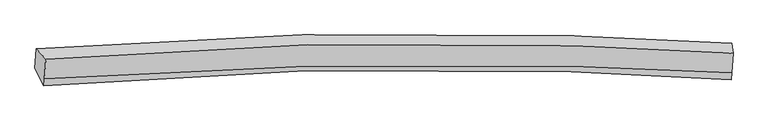
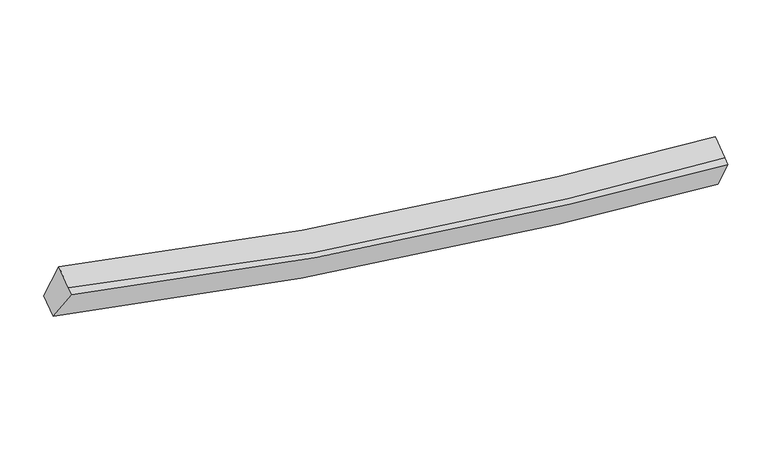
"""IFC4 building model written with IfcOpenShell, lengths in millimetres: proxy geometry."""

from ifc_helpers import new_model, si_unit, frame, origin, place, context, project, spatial, source, transform, mapped, element, save
from ifc_brep_helpers import plane_surface, spline_curve, spline_surface, advanced_brep


def generic_models_015ca885(model_context):
    return source(origin(), model_context, "Body", "AdvancedBrep", [
        advanced_brep(
        [(-7861.0317745, -1847.1901474, 4191.9319805), (-7667.6851578, -2051.0558295, 4896.4832702), (6188.6276512, -1935.7777175, 2856.0041565), (6162.5660368, -1735.609013, 2146.1373278), (-7695.4737463, -2448.816522, 4681.9903014), (6161.2228406, -2328.0450847, 2644.4734704), (-7705.2938698, -2589.3799441, 4606.1912939), (6151.709596, -2464.2158999, 2571.0431819), (-7888.4187666, -2239.2024645, 3980.5388305), (6135.5934386, -2121.6897708, 1937.9427788)],
        [
            (0, 1),
            (1, 2, spline_curve(3, [(-7667.6851578, -2051.0558295, 4896.4832702), (-4169.714400262, -1761.419170574, 3908.799494015), (-628.119908453, -1671.930123199, 3278.388722972), (4030.365388234, -1815.71531636, 2923.484729821), (5107.541832574, -1866.77832602, 2873.73579628), (6188.6276512, -1935.7777175, 2856.0041565)], [4, 2, 4], [0.0, 35.671665811579054, 46.35029730281273])),
            (2, 3),
            (3, 0, spline_curve(3, [(6162.5660368, -1735.609013, 2146.1373278), (5074.651045391, -1666.317920107, 2164.431213546), (3989.2590027, -1614.965002453, 2214.706905711), (-710.903606845, -1469.929261276, 2571.743248925), (-4300.044167951, -1558.475889976, 3203.399108087), (-7861.0317745, -1847.1901474, 4191.9319805)], [4, 2, 4], [0.0, 10.678631491233674, 46.35029730281273])),
            (1, 4),
            (4, 5, spline_curve(3, [(-7695.4737463, -2448.816522, 4681.9903014), (-4199.730470942, -2191.06363954, 3677.11315734), (-658.57339785, -2107.835721496, 3043.326064589), (4001.669470314, -2226.463350349, 2701.988320097), (5079.411259451, -2269.434123434, 2656.603135849), (6161.2228406, -2328.0450847, 2644.4734704)], [4, 2, 4], [0.0, 35.462943909546105, 46.079092636791906])),
            (5, 2),
            (4, 6),
            (6, 7, spline_curve(3, [(-7705.2938698, -2589.3799441, 4606.1912939), (-4206.183270436, -2283.427805192, 3627.305661054), (-664.189812044, -2188.228027484, 2999.974409624), (3993.851221991, -2338.372304807, 2641.641271253), (5070.858918963, -2391.850735258, 2590.589819314), (6151.709596, -2464.2158999, 2571.0431819)], [4, 2, 4], [0.0, 35.46288165221329, 46.079011742170934])),
            (7, 5),
            (6, 8),
            (8, 9, spline_curve(3, [(-7888.4187666, -2239.2024645, 3980.5388305), (-4326.454277719, -1936.505293108, 2999.546262054), (-737.006837599, -1843.566057186, 2370.259121922), (3962.683942437, -1995.355476878, 2009.580849762), (5047.907237681, -2049.123814684, 1958.002638438), (6135.5934386, -2121.6897708, 1937.9427788)], [4, 2, 4], [0.0, 35.67178705338, 46.35045483942874])),
            (9, 7),
            (8, 0),
            (3, 9),
        ],
        [
            spline_surface(3, 3, [[(-7861.0317745, -1847.1901474, 4191.9319805), (-4300.044167863, -1558.475889778, 3203.399107648), (-710.903606842, -1469.929260714, 2571.743249037), (3989.259002699, -1614.965002621, 2214.706905677), (5074.6510455, -1666.317920219, 2164.431213397), (6162.5660368, -1735.609013, 2146.1373278)], [(-7796.582902286, -1915.145374775, 4426.782410421), (-4256.600911886, -1626.123650193, 3438.532569619), (-683.309040548, -1537.262881707, 2807.291740204), (4002.961131159, -1681.881773826, 2450.966180403), (5085.614641175, -1733.138055565, 2400.866074365), (6171.25324161, -1802.331914529, 2382.759604036)], [(-7732.134030014, -1983.100602125, 4661.632840279), (-4213.157655852, -1693.771410585, 3673.666031526), (-655.714474248, -1604.596502682, 3042.840231444), (4016.663259624, -1748.798545013, 2687.225455203), (5096.578236821, -1799.958190825, 2637.300935326), (6179.94044639, -1869.054815971, 2619.381880264)], [(-7667.6851578, -2051.0558295, 4896.4832702), (-4169.714399875, -1761.419171, 3908.799493497), (-628.119907955, -1671.930123675, 3278.388722611), (4030.365388084, -1815.715316217, 2923.484729929), (5107.541832496, -1866.77832617, 2873.735796294), (6188.6276512, -1935.7777175, 2856.0041565)]], [4, 4], [4, 2, 4], [0.0, 2.4295443390973044], [0.0, 35.671665811579054, 46.35029730281273]),
            spline_surface(3, 3, [[(-7667.6851578, -2051.0558295, 4896.4832702), (-4169.714399875, -1761.419171, 3908.799493497), (-628.119907955, -1671.930123675, 3278.388722611), (4030.365388084, -1815.715316217, 2923.484729929), (5107.541832496, -1866.77832617, 2873.735796294), (6188.6276512, -1935.7777175, 2856.0041565)], [(-7676.948020635, -2183.642726995, 4824.98561391), (-4179.719757016, -1904.633994028, 3831.570714591), (-638.271071293, -1817.231989527, 3200.034503158), (4020.800082179, -1952.631327621, 2849.652593354), (5098.164974776, -2000.99692527, 2801.358242799), (6179.492714326, -2066.533506556, 2785.493927809)], [(-7686.210883465, -2316.229624505, 4753.48795769), (-4189.725114152, -2047.848817071, 3754.341935755), (-648.422234646, -1962.533855379, 3121.6802837), (4011.23477626, -2089.547339025, 2775.820456774), (5088.788117077, -2135.215524403, 2728.980689278), (6170.357777474, -2197.289295644, 2714.983699091)], [(-7695.4737463, -2448.816522, 4681.9903014), (-4199.730471293, -2191.063640099, 3677.113156849), (-658.573397985, -2107.835721231, 3043.326064247), (4001.669470355, -2226.463350428, 2701.988320199), (5079.411259357, -2269.434123503, 2656.603135783), (6161.2228406, -2328.0450847, 2644.4734704)]], [4, 4], [4, 2, 4], [0.0, 1.5963454268349768], [0.0, 35.462943909546105, 46.079092636791906]),
            spline_surface(3, 3, [[(-7695.4737463, -2448.816522, 4681.9903014), (-4199.730471293, -2191.063640099, 3677.113156849), (-658.573397985, -2107.835721231, 3043.326064247), (4001.669470355, -2226.463350428, 2701.988320199), (5079.411259357, -2269.434123503, 2656.603135783), (6161.2228406, -2328.0450847, 2644.4734704)], [(-7698.747120777, -2495.670996035, 4656.723965559), (-4201.881404284, -2221.851695272, 3660.510658199), (-660.445535971, -2134.633156499, 3028.875512552), (3999.063387565, -2263.766335251, 2681.872637293), (5076.560479212, -2310.239660793, 2634.598696921), (6158.051759076, -2373.435356422, 2619.996707554)], [(-7702.020495323, -2542.525470065, 4631.457629741), (-4204.032337345, -2252.639750438, 3643.908159573), (-662.317673975, -2161.430591801, 3014.424960788), (3996.457304756, -2301.069320108, 2661.756954317), (5073.70969904, -2351.045198117, 2612.594258097), (6154.880677524, -2418.825628178, 2595.519944746)], [(-7705.2938698, -2589.3799441, 4606.1912939), (-4206.183270337, -2283.427805611, 3627.305660924), (-664.189811961, -2188.228027069, 2999.974409093), (3993.851221966, -2338.372304932, 2641.641271411), (5070.858918895, -2391.850735406, 2590.589819235), (6151.709596, -2464.2158999, 2571.0431819)]], [4, 4], [4, 2, 4], [0.0, 0.345419663345197], [0.0, 35.46288165221329, 46.079011742170934]),
            spline_surface(3, 3, [[(-7705.2938698, -2589.3799441, 4606.1912939), (-4206.183270337, -2283.427805611, 3627.305660924), (-664.189811961, -2188.228027069, 2999.974409093), (3993.851221966, -2338.372304932, 2641.641271411), (5070.858918895, -2391.850735406, 2590.589819235), (6151.709596, -2464.2158999, 2571.0431819)], [(-7766.335502093, -2472.654117582, 4397.640472767), (-4246.273606093, -2167.786968162, 3418.052527936), (-688.46215389, -2073.34070381, 2790.069313497), (3983.462128793, -2224.033362218, 2430.954464125), (5063.208358508, -2277.608428552, 2379.727425706), (6146.337543547, -2350.04052353, 2360.009714215)], [(-7827.377134307, -2355.928291018, 4189.089651633), (-4286.363941772, -2052.146130666, 3208.799394948), (-712.734495792, -1958.453380594, 2580.164217975), (3973.073035646, -2109.694419547, 2220.267656912), (5055.55779808, -2163.366121708, 2168.865032132), (6140.965491053, -2235.86514717, 2148.976246485)], [(-7888.4187666, -2239.2024645, 3980.5388305), (-4326.454277528, -1936.505293217, 2999.54626196), (-737.006837721, -1843.566057335, 2370.259122379), (3962.683942474, -1995.355476834, 2009.580849626), (5047.907237693, -2049.123814854, 1958.002638603), (6135.5934386, -2121.6897708, 1937.9427788)]], [4, 4], [4, 2, 4], [0.0, 2.370083088266819], [0.0, 35.67178705338, 46.35045483942874]),
            spline_surface(3, 3, [[(-7888.4187666, -2239.2024645, 3980.5388305), (-4326.454277528, -1936.505293217, 2999.54626196), (-737.006837721, -1843.566057335, 2370.259122379), (3962.683942474, -1995.355476834, 2009.580849626), (5047.907237693, -2049.123814854, 1958.002638603), (6135.5934386, -2121.6897708, 1937.9427788)], [(-7879.28976921, -2108.531692112, 4051.003213843), (-4317.650907617, -1810.49549205, 3067.497210532), (-728.305760762, -1719.020458481, 2437.420497956), (3971.542295882, -1868.558652116, 2077.956201667), (5056.82184027, -1921.521849973, 2026.812163521), (6144.584304642, -1992.996184864, 2007.340961787)], [(-7870.16077189, -1977.860919788, 4121.467597157), (-4308.847537775, -1684.485690945, 3135.448159076), (-719.604683801, -1594.474859568, 2504.58187346), (3980.400649291, -1741.761827339, 2146.331553636), (5065.736442922, -1793.9198851, 2095.621688479), (6153.575170758, -1864.302598936, 2076.739144813)], [(-7861.0317745, -1847.1901474, 4191.9319805), (-4300.044167863, -1558.475889778, 3203.399107648), (-710.903606842, -1469.929260714, 2571.743249037), (3989.259002699, -1614.965002621, 2214.706905677), (5074.6510455, -1666.317920219, 2164.431213397), (6162.5660368, -1735.609013, 2146.1373278)]], [4, 4], [4, 2, 4], [0.0, 1.4075443021616088], [0.0, 35.880516913261104, 46.62166984555058]),
            plane_surface(frame((6159.6241806, -2064.3231003, 2377.7818612), z_axis=(0.9978637137832527, -0.04336402229696184, -0.04886276992684557), x_axis=(-0.02238355188867618, 0.47573073487614637, -0.8793061153540608))),
            plane_surface(frame((-7780.6073922, -2181.7070964, 4418.7863438), z_axis=(-0.9669506479046164, -0.06534375862578583, 0.2464480426489477), x_axis=(-0.06137577143743278, -0.8785213881655928, -0.47374379702119573))),
        ],
        [
            (0, [[1, 2, 3, 4]]),
            (1, [[5, 6, 7, -2]]),
            (2, [[8, 9, 10, -6]]),
            (3, [[11, 12, 13, -9]]),
            (4, [[14, -4, 15, -12]]),
            (5, [[-13, -15, -3, -7, -10]]),
            (6, [[-14, -11, -8, -5, -1]]),
        ],
    ),
    ])


if __name__ == "__main__":
    model = new_model("IFC4")
    model_context = context("Model", 3, world=origin())
    ifc_project = project(units=[si_unit("LENGTHUNIT", "METRE", prefix="MILLI")], contexts=[model_context])
    site = spatial("IfcSite", under=ifc_project)
    building = spatial("IfcBuilding", under=site)
    placement = place(None, origin())
    generic_models_shape = generic_models_015ca885(model_context)
    element("IfcBuildingElementProxy", 1, Name="Generic Models", at=placement, inside=building, context=model_context, shape_type="MappedRepresentation", body=[
        mapped(generic_models_shape, transform((0.0, 0.0, 0.0), x_axis=(1.0, 0.0, 0.0), y_axis=(0.0, 1.0, 0.0), z_axis=(0.0, 0.0, 1.0))),
    ])
    save(model, "model.ifc")
